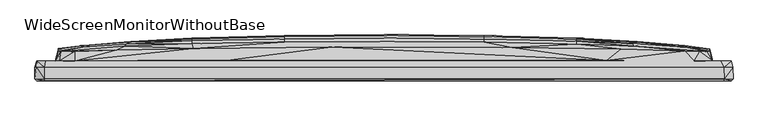
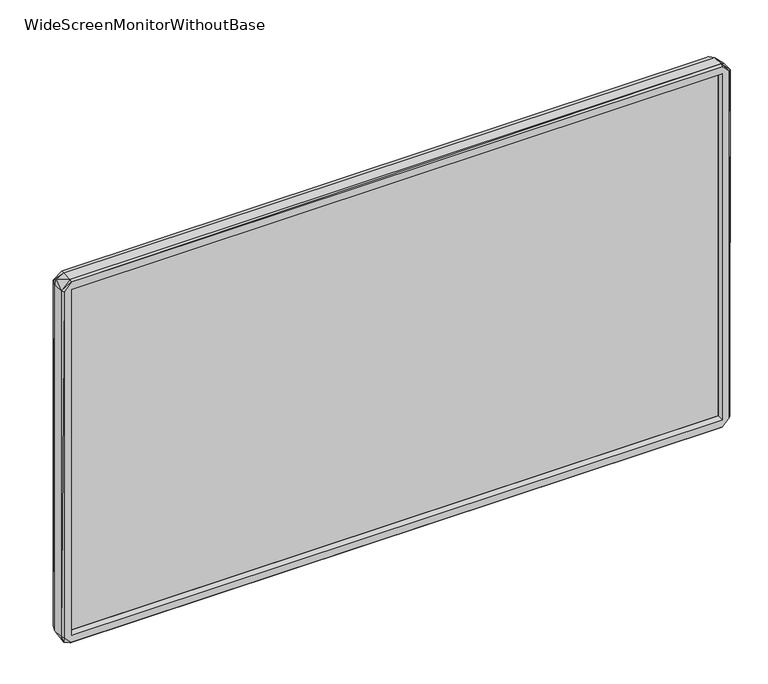
"""IFC4 building model written with IfcOpenShell, lengths in millimetres: furniture geometry, WideScreenMonitorWithoutBase."""

from ifc_helpers import new_model, si_unit, origin, place, context, project, spatial, triangles, source, transform, mapped, element, save


def widescreenmonitorwithoutbase_925fc26c(model_context):
    return source(origin(), model_context, "Body", "Tessellation", [
        triangles([(-524.0943543, -0.9800291, 14.639141), (-523.9943241, 16.3199693, 14.3391411), (-519.8943563, -0.9800289, 4.5391414), (-521.2943436, -4.0800287, 14.2391415), (-524.0943543, 16.3199693, 587.7769135), (-523.9943241, -0.9800291, 588.3768768), (-521.4943314, -4.0800287, 587.7769135), (-520.9943619, 25.5199698, 16.1391402), (-510.2943246, 16.3199716, 0.1391416), (-521.2943436, 25.5199698, 589.2768946), (-510.3943185, -4.0800284, 14.5391414), (-510.3943185, -4.0800284, 588.176889), (-509.9943429, -4.0800284, 2.6391416), (-451.2278718, 25.5199766, 2.6391416), (-493.6943204, 26.1199718, 54.7391415), (-465.1278591, 26.1199741, 26.7391405), (-493.8943445, 26.1199718, 547.4931078), (-510.194367, -0.9800284, 0.0391416), (-507.2943624, 2.4199717, 17.9391405), (507.3023561, 2.420028, 17.9391405), (510.4023122, -4.0799716, 14.5391414), (510.1023305, -4.0799716, 2.6391416), (510.1023305, 16.3200272, 0.0391416), (510.5023424, -0.9799716, 0.1391416), (507.3023561, 8.9200269, 17.9391405), (-507.2943624, 8.9199713, 17.9391405), (-507.2943624, 8.9199713, 584.7768785), (-507.2943624, 2.4199717, 584.7768785), (134.4369613, 9.1200079, 240.9742265), (-489.2943346, 42.1013228, 115.8066849), (-486.5943541, 40.1013222, 50.9391373), (-476.2943287, 39.8013269, 36.639138), (-427.127853, 41.3013308, 30.5391402), (88.5369741, 46.6013525, 30.5391402), (185.0034605, 26.9200115, 26.2391415), (507.9023194, 25.5200289, 2.7391414), (465.0358589, 26.1200263, 26.7391405), (331.3029244, 43.9013674, 30.5391402), (450.7358597, 40.601378, 30.7391416), (473.9023599, 39.9013753, 35.2391417), (487.9023411, 26.0200279, 37.5391399), (521.2023434, 25.5200311, 13.039141), (487.4023353, 40.2013752, 55.8229144), (493.6023202, 26.1200286, 57.3229137), (507.3023561, 8.9200269, 584.7768785), (507.3023561, 2.420028, 584.7768785), (510.4023122, -4.0799716, 588.176889), (524.0023905, 16.3200295, 14.5391414), (521.4023675, -4.079971, 14.639141), (524.0023905, -0.9799709, 14.4391418), (521.3023373, 25.5200311, 589.2768946), (523.9023602, 16.3200295, 588.576901), (521.3023373, -4.079971, 588.576901), (524.102348, -0.9799709, 588.0768951), (-368.2613517, 48.7013333, 80.4229163), (-451.3278657, 46.8013266, 137.0066809), (-373.4613613, 52.0013272, 138.0066834), (-288.4284339, 51.4013365, 80.4229163), (-191.2954456, 45.8013377, 30.5391402), (-150.0954441, 54.0013414, 80.4229163), (0.0039998, 54.90135, 80.4229163), (150.1034469, 54.0013595, 80.4229163), (288.4364094, 51.8013666, 84.7229173), (349.8029217, 49.901369, 85.9229076), (425.5358717, 45.9013725, 80.4229163), (493.7023504, 26.1200286, 548.0768658), (489.3023283, 43.2013738, 171.8904528), (489.3023283, 43.5013782, 418.2255621), (-288.4284339, 55.7013375, 137.8066865), (-150.0954441, 59.1013435, 138.7066861), (0.0039995, 60.1013506, 138.0066834), (150.1034469, 58.9013557, 136.706681), (288.4364094, 56.201366, 145.2066891), (391.4693828, 51.00137, 136.806684), (451.3358594, 46.5013767, 130.8066869), (-489.2943346, 44.3013248, 254.2742505), (-451.3278657, 49.0013241, 269.6742371), (-489.0943468, 40.9013234, 527.6930809), (-378.7613648, 54.401326, 220.4742424), (-288.4284339, 59.1013344, 220.4742424), (-150.0954441, 62.9013386, 220.4742424), (0.0039993, 64.1013517, 220.4742424), (150.1034469, 62.9013568, 220.4742424), (288.4364094, 59.1013662, 220.4742424), (381.2693876, 54.20137, 220.4742424), (451.3358594, 48.7013742, 220.4742424), (451.3358594, 49.0013786, 331.9417663), (-489.2943346, 43.7013251, 400.6255463), (-379.9613643, 55.1013287, 301.1580166), (-451.3278657, 48.7013242, 381.9417666), (-381.2613939, 54.2013291, 381.9417666), (-288.4284339, 60.001334, 301.1580166), (-150.0954441, 64.0013442, 301.1580166), (0.0039992, 65.3013511, 301.1580166), (150.1034469, 64.0013578, 301.1580166), (288.4364094, 60.0013657, 301.1580166), (379.9693943, 55.1013741, 301.1580166), (-288.4284339, 59.1013344, 381.9417666), (-150.0954441, 62.9013386, 381.9417666), (0.0039993, 64.1013517, 381.9417666), (150.1034469, 62.9013568, 381.9417666), (288.4364094, 59.1013662, 381.9417666), (378.6693646, 54.4013714, 381.9417666), (-451.3278657, 46.5013222, 471.6092949), (-387.6613667, 51.6013289, 457.2093018), (-288.4284339, 56.2013342, 457.2093018), (-150.0954441, 58.9013375, 465.6092978), (0.0039995, 60.1013506, 464.4093347), (150.1034469, 59.1013571, 463.709341), (288.4364094, 55.7013693, 464.5092922), (373.4693913, 52.0013726, 464.4093347), (451.3358594, 46.8013766, 465.40931), (489.1023768, 40.501375, 538.4931121), (-484.9943427, 39.9013254, 555.7769045), (-388.96136, 48.101329, 516.6930619), (-288.4284339, 51.7013364, 518.1930794), (-150.0954441, 54.0013414, 521.9931018), (0.0039998, 54.90135, 521.9931018), (150.1034469, 54.0013595, 521.9931018), (288.4364094, 51.4013638, 521.9931018), (373.8694033, 48.4013698, 521.9931018), (485.5023786, 40.0013783, 554.7768929), (-487.8943474, 26.0199711, 565.1769121), (-402.16139, 42.3013288, 571.9768968), (-286.6284166, 44.7013322, 571.9768968), (-77.6624834, 46.7013463, 571.9768968), (191.903439, 45.9013634, 571.9768968), (355.8028825, 43.5013691, 571.9768968), (451.3358594, 40.501375, 571.6769151), (-521.794313, 16.5199707, 595.6769036), (-510.3943185, -0.9800284, 602.6768761), (-510.194367, -4.0800284, 599.9768955), (-510.0943368, 16.3199716, 602.6768761), (-508.3943679, 25.5199721, 600.0769258), (-464.2278414, 26.1199741, 576.0768645), (510.7023665, -0.9799716, 602.5769185), (510.1023305, 16.3200272, 602.6768761), (510.1023305, -4.0799716, 600.0769258), (505.9023325, 25.5200289, 600.0769258), (-230.6619199, 26.9199866, 576.4768764), (-464.2278414, 40.1013222, 569.8769159), (333.5028992, 26.6200185, 576.4768764), (465.5358647, 26.1200263, 575.8768767), (474.1023477, 39.8013769, 567.1768627)], [[1, 2, 3], [1, 3, 4], [1, 5, 2], [1, 6, 5], [1, 7, 6], [1, 4, 7], [2, 8, 9], [2, 9, 3], [2, 5, 10], [2, 10, 8], [4, 11, 12], [4, 13, 11], [4, 12, 7], [4, 3, 13], [8, 14, 9], [8, 15, 16], [8, 16, 14], [8, 17, 15], [8, 10, 17], [3, 18, 13], [3, 9, 18], [11, 19, 12], [11, 20, 19], [11, 21, 20], [11, 13, 22], [11, 22, 21], [9, 14, 23], [9, 23, 18], [18, 23, 24], [18, 24, 13], [13, 24, 22], [19, 25, 26], [19, 20, 25], [19, 26, 27], [19, 28, 12], [19, 27, 28], [26, 25, 29], [26, 29, 27], [15, 30, 31], [15, 17, 30], [15, 31, 32], [15, 32, 16], [16, 32, 33], [16, 33, 34], [16, 34, 35], [16, 35, 14], [14, 35, 36], [14, 36, 23], [35, 37, 36], [35, 34, 38], [35, 38, 37], [37, 38, 39], [37, 39, 40], [37, 40, 41], [37, 41, 42], [37, 42, 36], [41, 40, 43], [41, 43, 44], [41, 44, 42], [25, 45, 29], [25, 20, 46], [25, 46, 45], [20, 21, 47], [20, 47, 46], [36, 42, 23], [23, 42, 48], [23, 48, 24], [22, 24, 49], [22, 49, 21], [21, 49, 47], [24, 50, 49], [24, 48, 50], [42, 44, 51], [42, 51, 52], [42, 52, 48], [49, 53, 47], [49, 50, 54], [49, 54, 53], [48, 52, 54], [48, 54, 50], [31, 33, 32], [31, 55, 33], [31, 30, 56], [31, 56, 57], [31, 57, 55], [33, 55, 58], [33, 58, 59], [33, 59, 34], [59, 58, 60], [59, 60, 61], [59, 61, 34], [34, 61, 62], [34, 62, 38], [38, 62, 63], [38, 63, 64], [38, 64, 65], [38, 65, 39], [39, 65, 40], [40, 65, 43], [44, 66, 51], [44, 43, 67], [44, 67, 68], [44, 68, 66], [55, 57, 69], [55, 69, 58], [58, 69, 70], [58, 70, 60], [60, 70, 71], [60, 71, 61], [61, 71, 72], [61, 72, 62], [62, 72, 63], [63, 72, 73], [63, 73, 74], [63, 74, 64], [64, 74, 65], [65, 74, 75], [65, 75, 43], [43, 75, 67], [30, 76, 77], [30, 77, 56], [30, 17, 78], [30, 78, 76], [56, 77, 79], [56, 79, 57], [57, 79, 80], [57, 80, 69], [69, 80, 81], [69, 81, 70], [70, 81, 82], [70, 82, 71], [71, 82, 83], [71, 83, 72], [72, 83, 84], [72, 84, 73], [73, 84, 85], [73, 85, 74], [74, 85, 86], [74, 86, 75], [75, 86, 67], [67, 86, 87], [67, 87, 68], [29, 45, 27], [76, 88, 77], [76, 78, 88], [77, 89, 79], [77, 90, 91], [77, 91, 89], [77, 88, 90], [79, 89, 92], [79, 92, 80], [80, 92, 93], [80, 93, 81], [81, 93, 94], [81, 94, 82], [82, 94, 95], [82, 95, 83], [83, 95, 96], [83, 96, 84], [84, 96, 97], [84, 97, 85], [85, 97, 87], [85, 87, 86], [89, 91, 98], [89, 98, 92], [92, 98, 99], [92, 99, 93], [93, 99, 100], [93, 100, 94], [94, 100, 101], [94, 101, 95], [95, 101, 102], [95, 102, 96], [96, 102, 103], [96, 103, 97], [97, 103, 87], [90, 88, 104], [90, 104, 105], [90, 105, 91], [91, 105, 106], [91, 106, 98], [98, 106, 107], [98, 107, 99], [99, 107, 108], [99, 108, 100], [100, 108, 109], [100, 109, 101], [101, 109, 110], [101, 110, 102], [102, 110, 111], [102, 111, 103], [103, 111, 112], [103, 112, 87], [87, 112, 68], [88, 78, 104], [68, 112, 113], [68, 113, 66], [104, 78, 114], [104, 115, 105], [104, 114, 115], [105, 115, 116], [105, 116, 106], [106, 116, 107], [107, 116, 117], [107, 117, 118], [107, 118, 108], [108, 118, 119], [108, 119, 109], [109, 119, 120], [109, 120, 110], [110, 120, 121], [110, 121, 111], [111, 121, 122], [111, 122, 112], [112, 122, 113], [17, 123, 114], [17, 114, 78], [17, 10, 123], [115, 114, 124], [115, 124, 125], [115, 125, 116], [116, 125, 117], [117, 125, 126], [117, 126, 118], [118, 126, 127], [118, 127, 119], [119, 127, 120], [120, 127, 128], [120, 128, 121], [121, 128, 129], [121, 129, 122], [113, 122, 66], [5, 6, 130], [5, 130, 10], [6, 131, 130], [6, 7, 132], [6, 132, 131], [130, 131, 133], [130, 133, 10], [7, 12, 132], [10, 134, 135], [10, 135, 123], [10, 133, 134], [12, 28, 47], [12, 47, 132], [131, 132, 136], [131, 137, 133], [131, 136, 137], [132, 138, 136], [132, 47, 138], [133, 139, 134], [133, 137, 139], [134, 140, 135], [134, 139, 140], [28, 27, 45], [28, 45, 46], [28, 46, 47], [123, 135, 141], [123, 141, 114], [135, 140, 125], [135, 124, 141], [135, 125, 124], [140, 139, 142], [140, 142, 126], [140, 126, 125], [142, 143, 129], [142, 127, 126], [142, 128, 127], [142, 129, 128], [142, 139, 143], [143, 139, 51], [143, 51, 66], [143, 66, 144], [143, 144, 129], [66, 122, 144], [139, 137, 51], [137, 136, 52], [137, 52, 51], [138, 47, 53], [138, 53, 136], [136, 54, 52], [136, 53, 54], [114, 141, 124], [129, 144, 122]]),
        triangles([(507.2588267, 5.0111398, 17.9787207), (507.2588267, 5.0111398, 584.7926116), (507.2588267, 2.4111395, 17.9787207), (507.2588267, 2.4111395, 584.7926116), (-507.2899295, 2.411083, 584.7926116), (-507.2899295, 5.011083, 584.7926116), (-507.2899295, 5.011083, 17.9787207), (-507.2899295, 2.411083, 17.9787207)], [[1, 2, 3], [3, 2, 4], [5, 4, 2], [5, 2, 6], [7, 1, 3], [7, 3, 8], [7, 6, 1], [7, 8, 5], [7, 5, 6], [8, 3, 4], [8, 4, 5], [1, 6, 2]]),
    ])


if __name__ == "__main__":
    model = new_model("IFC4")
    model_context = context("Model", 3, world=origin())
    ifc_project = project(units=[si_unit("LENGTHUNIT", "METRE", prefix="MILLI")], contexts=[model_context])
    site = spatial("IfcSite", under=ifc_project)
    building = spatial("IfcBuilding", under=site)
    placement = place(None, origin())
    widescreenmonitorwithoutbase_shape = widescreenmonitorwithoutbase_925fc26c(model_context)
    element("IfcFurniture", 1, ObjectType="WideScreenMonitorWithoutBase", at=placement, inside=building, context=model_context, shape_type="MappedRepresentation", body=[
        mapped(widescreenmonitorwithoutbase_shape, transform((0.0, 0.0, 0.0), x_axis=(1.0, 0.0, 0.0), y_axis=(0.0, 1.0, 0.0), z_axis=(0.0, 0.0, 1.0))),
    ])
    save(model, "model.ifc")
